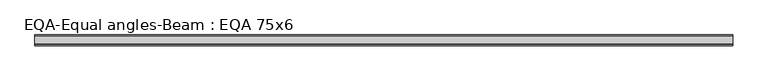
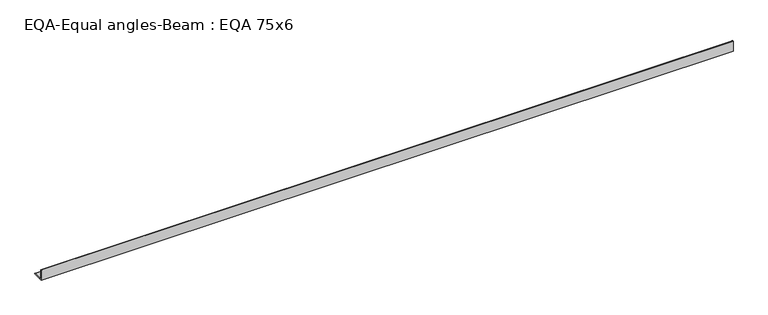
"""IFC4 building model written with IfcOpenShell, lengths in millimetres: beam geometry, EQA-Equal angles-Beam : EQA 75x6."""

from ifc_helpers import new_model, si_unit, point, frame, frame_2d, origin, place, context, project, spatial, polyline, circle_curve, trimmed, segment, composite_curve, outline, extrude, source, transform, mapped, element, save


def eqa_equal_angles_beam_eqa_75x6_e5263295(model_context):
    return source(origin(), model_context, "Body", "SweptSolid", [
        extrude(outline(composite_curve([segment(polyline([(-20.5, -20.5), (-20.5, 54.5), (-19.0, 54.5)]), True, "CONTINUOUS"), segment(trimmed(circle_curve(frame_2d((-19.0, 50.0)), 4.5), [point((-19.0, 54.5))], [point((-14.5, 50.0))], False, "CARTESIAN"), True, "CONTINUOUS"), segment(polyline([(-14.5, 50.0), (-14.5, -5.5)]), True, "CONTINUOUS"), segment(trimmed(circle_curve(frame_2d((-5.5, -5.5)), 9.0), [point((-14.5, -5.5))], [point((-5.5, -14.5))], True, "CARTESIAN"), True, "CONTINUOUS"), segment(polyline([(-5.5, -14.5), (50.0, -14.5)]), True, "CONTINUOUS"), segment(trimmed(circle_curve(frame_2d((50.0, -19.0)), 4.5), [point((50.0, -14.5))], [point((54.5, -19.0))], False, "CARTESIAN"), True, "CONTINUOUS"), segment(polyline([(54.5, -19.0), (54.5, -20.5), (-20.5, -20.5)]), True, "CONTINUOUS")], self_intersect=False)), frame((-2438.7369045, 0.0, 0.0), z_axis=(1.0, 0.0, 0.0), x_axis=(0.0, 1.0, 0.0)), (0.0, 0.0, 1.0), 4774.8211991),
    ])


if __name__ == "__main__":
    model = new_model("IFC4")
    model_context = context("Model", 3, world=origin())
    ifc_project = project(units=[si_unit("LENGTHUNIT", "METRE", prefix="MILLI")], contexts=[model_context])
    site = spatial("IfcSite", under=ifc_project)
    building = spatial("IfcBuilding", under=site)
    placement = place(None, origin())
    eqa_equal_angles_beam_eqa_75x6_shape = eqa_equal_angles_beam_eqa_75x6_e5263295(model_context)
    element("IfcBeam", 1, ObjectType="EQA-Equal angles-Beam : EQA 75x6", at=placement, inside=building, context=model_context, shape_type="MappedRepresentation", body=[
        mapped(eqa_equal_angles_beam_eqa_75x6_shape, transform((0.0, 0.0, 0.0), x_axis=(1.0, 0.0, 0.0), y_axis=(0.0, 1.0, 0.0), z_axis=(0.0, 0.0, 1.0))),
    ])
    save(model, "model.ifc")
